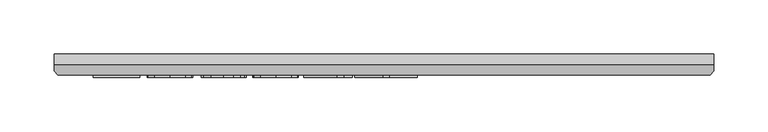
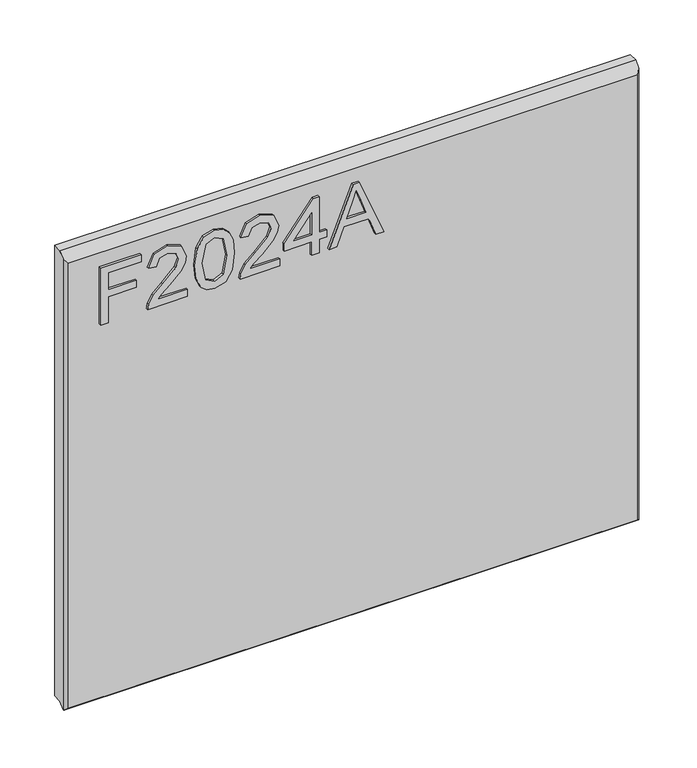
"""IFC4 building model written with IfcOpenShell, lengths in millimetres: furniture geometry."""

from ifc_helpers import new_model, si_unit, frame, origin, place, context, project, spatial, polyline, outline, extrude, faceted_brep, source, transform, mapped, element, save


def furniture_24af4ca4(model_context):
    return source(origin(), model_context, "Body", "SolidModel", [
        extrude(outline(polyline([(1523.8020388, -249.8436441), (1523.8020388, -241.8699245), (1552.7067724, -241.8699245), (1552.7067724, -211.9684759), (1560.680492, -211.9684759), (1560.680492, -241.8699245), (1579.6180761, -241.8699245), (1579.6180761, -206.9849011), (1587.5917957, -206.9849011), (1587.5917957, -249.8436441), (1523.8020388, -249.8436441)])), frame((0.0, -21.9273437, 0.0), z_axis=(0.0, 1.0, 0.0), x_axis=(0.0, 0.0, 1.0)), (0.0, 0.0, 1.0), 2.38125),
        extrude(outline(polyline([(1531.7757584, -158.1458685), (1531.7757584, -189.4645211), (1535.8326997, -185.8670031), (1543.5027327, -176.6941108), (1554.427663, -165.270823), (1562.2456459, -160.5597875), (1569.8066633, -159.1425834), (1582.4836316, -164.3986974), (1587.5917957, -178.671967), (1582.9975627, -192.8985156), (1569.6509266, -199.0111815), (1568.6542116, -191.0374619), (1576.7057996, -187.6813358), (1579.6180761, -178.8432774), (1576.6357181, -170.3634135), (1569.3238795, -167.116303), (1560.2911502, -170.5580844), (1547.0068087, -184.3252096), (1537.7638349, -194.3079328), (1529.2995447, -199.1513445), (1523.8020388, -200.0078965), (1523.8020388, -158.1458685), (1531.7757584, -158.1458685)])), frame((0.0, -21.9273437, 0.0), z_axis=(0.0, 1.0, 0.0), x_axis=(0.0, 0.0, 1.0)), (0.0, 0.0, 1.0), 2.38125),
        extrude(outline(polyline([(1555.1829861, -150.1721488), (1539.6677162, -148.5836344), (1528.8790555, -143.818091), (1524.3237567, -137.5263279), (1522.8053238, -129.2411348), (1526.301613, -117.5686683), (1536.907283, -110.6305978), (1555.1829861, -108.3101208), (1570.1726445, -109.7584723), (1579.6102892, -113.4961533), (1585.5360711, -119.9280795), (1587.5917957, -129.2411348), (1584.118867, -140.8668803), (1573.5365575, -147.8283113), (1555.1829861, -150.1721488)]), holes=[polyline([(1555.1985597, -142.1984292), (1575.3508902, -138.3361588), (1579.6180761, -129.3345769), (1574.7746644, -119.8969322), (1555.1985597, -116.2838405), (1535.4122106, -120.0215215), (1530.7790434, -129.2411348), (1535.3966369, -138.4607482), (1555.1985597, -142.1984292)])]), frame((0.0, -21.9273438, 0.0), z_axis=(0.0, 1.0, 0.0), x_axis=(0.0, 0.0, 1.0)), (0.0, 0.0, 1.0), 2.38125),
        extrude(outline(polyline([(1531.7757584, -60.4678031), (1531.7757584, -91.7864558), (1535.8326997, -88.1889378), (1543.5027327, -79.0160455), (1554.427663, -67.5927577), (1562.2456459, -62.8817222), (1569.8066633, -61.4645181), (1582.4836316, -66.7206321), (1587.5917957, -80.9939017), (1582.9975627, -95.2204503), (1569.6509266, -101.3331162), (1568.6542116, -93.3593966), (1576.7057996, -90.0032704), (1579.6180761, -81.1652121), (1576.6357181, -72.6853481), (1569.3238795, -69.4382377), (1560.2911502, -72.880019), (1547.0068087, -86.6471443), (1537.7638349, -96.6298675), (1529.2995447, -101.4732792), (1523.8020388, -102.3298311), (1523.8020388, -60.4678031), (1531.7757584, -60.4678031)])), frame((0.0, -21.9273437, 0.0), z_axis=(0.0, 1.0, 0.0), x_axis=(0.0, 0.0, 1.0)), (0.0, 0.0, 1.0), 2.38125),
        extrude(outline(polyline([(1523.8020388, -26.5794948), (1523.8020388, -18.6057751), (1538.752763, -18.6057751), (1538.752763, -10.6320555), (1546.7264827, -10.6320555), (1546.7264827, -18.6057751), (1586.5950807, -18.6057751), (1586.5950807, -24.5860649), (1546.7264827, -55.4842284), (1538.752763, -55.4842284), (1538.752763, -26.5794948), (1523.8020388, -26.5794948)]), holes=[polyline([(1546.7264827, -26.5794948), (1546.7264827, -45.6728156), (1571.3640304, -26.5794948), (1546.7264827, -26.5794948)])]), frame((0.0, -21.9273438, 0.0), z_axis=(0.0, 1.0, 0.0), x_axis=(0.0, 0.0, 1.0)), (0.0, 0.0, 1.0), 2.38125),
        extrude(outline(polyline([(1523.8020388, -8.0935471), (1523.8020388, 0.3318089), (1543.7363378, 7.620287), (1543.7363378, 33.8930702), (1523.8020388, 41.197122), (1523.8020388, 49.6224781), (1587.5917957, 24.1595258), (1587.5917957, 17.3694052), (1523.8020388, -8.0935471)]), holes=[polyline([(1551.7100574, 10.5481372), (1568.7632273, 16.7931793), (1579.6180761, 20.7644655), (1567.3927442, 25.2341091), (1551.7100574, 30.9807937), (1551.7100574, 10.5481372)])]), frame((0.0, -21.9273437, 0.0), z_axis=(0.0, 1.0, 0.0), x_axis=(0.0, 0.0, 1.0)), (0.0, 0.0, 1.0), 2.38125),
        faceted_brep([(323.5377049, 0.0, 1612.7020387), (-286.0622951, 0.0, 1612.7020387), (-286.0622951, -10.0314449, 1612.7020387), (323.5377049, -10.0314449, 1612.7020387), (-286.0622951, 0.0, 1108.174695), (323.5377049, 0.0, 1108.174695), (323.5377049, -10.0314449, 1108.174695), (-286.0622951, -10.0314449, 1108.174695), (-286.0622951, -15.7726273, 1102.4335127), (-286.0622951, -15.7726273, 1606.9608564), (-282.8959807, -19.5460937, 1104.999695), (320.3713906, -19.5460937, 1104.999695), (320.3713906, -19.5460937, 1603.1873899), (-282.8959807, -19.5460937, 1603.1873899), (323.5377049, -15.7726273, 1606.9608564), (323.5377049, -15.7726273, 1102.4335127), (-285.5514364, -16.3814449, 1101.824695), (323.0268462, -16.3814449, 1101.824695)], [[[0, 1, 2, 3]], [[4, 5, 6, 7]], [[1, 4, 7, 8, 9, 2]], [[10, 11, 12, 13]], [[5, 0, 3, 14, 15, 6]], [[1, 0, 5, 4]], [[11, 10, 16, 17]], [[7, 6, 15, 17, 16, 8]], [[3, 2, 9, 13, 12, 14]], [[9, 8, 16, 10, 13]], [[12, 11, 17, 15, 14]]]),
    ])


if __name__ == "__main__":
    model = new_model("IFC4")
    model_context = context("Model", 3, world=origin())
    ifc_project = project(units=[si_unit("LENGTHUNIT", "METRE", prefix="MILLI")], contexts=[model_context])
    site = spatial("IfcSite", under=ifc_project)
    building = spatial("IfcBuilding", under=site)
    placement = place(None, origin())
    furniture_shape = furniture_24af4ca4(model_context)
    element("IfcFurniture", 1, at=placement, inside=building, context=model_context, shape_type="MappedRepresentation", body=[
        mapped(furniture_shape, transform((0.0, 0.0, 0.0), x_axis=(1.0, 0.0, 0.0), y_axis=(0.0, 1.0, 0.0), z_axis=(0.0, 0.0, 1.0))),
    ])
    save(model, "model.ifc")
